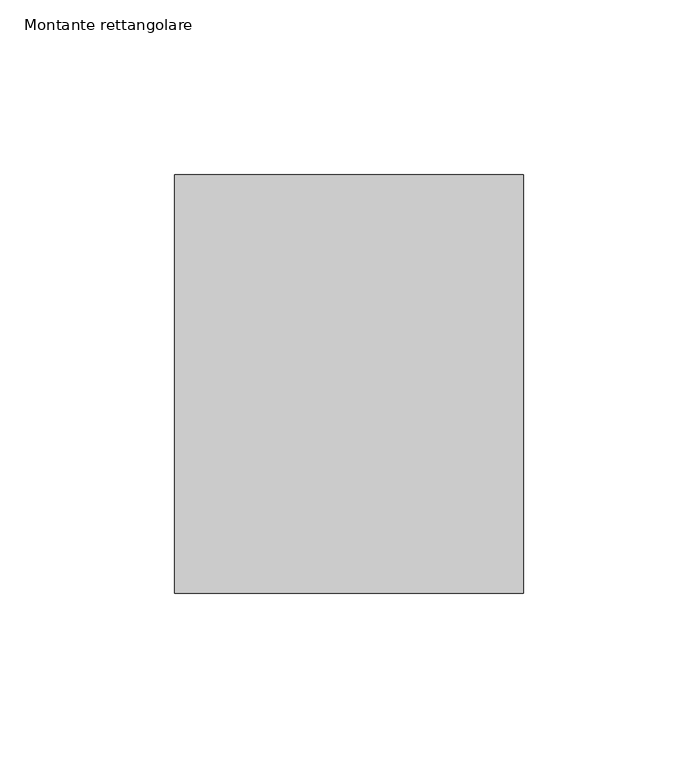
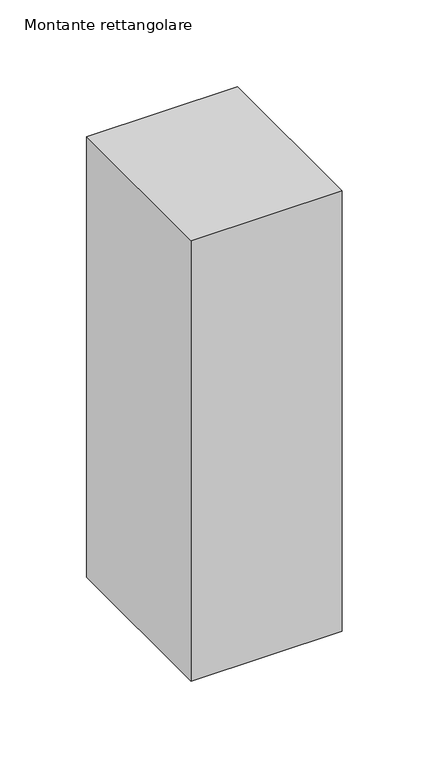
"""IFC4 building model written with IfcOpenShell, lengths in millimetres: member geometry, Montante rettangolare."""

from ifc_helpers import new_model, si_unit, frame, origin, place, context, project, spatial, polyline, outline, extrude, source, transform, mapped, element, save


def montante_rettangolare_6e913756(model_context):
    return source(origin(), model_context, "Body", "SweptSolid", [
        extrude(outline(polyline([(50.0, 60.0), (50.0, -60.0), (-50.0, -60.0), (-50.0, 60.0), (50.0, 60.0)])), frame((0.0, 0.0, -309.0170624), z_axis=(0.0, 0.0, 1.0), x_axis=(1.0, 0.0, 0.0)), (0.0, 0.0, 1.0), 309.0170624),
    ])


if __name__ == "__main__":
    model = new_model("IFC4")
    model_context = context("Model", 3, world=origin())
    ifc_project = project(units=[si_unit("LENGTHUNIT", "METRE", prefix="MILLI")], contexts=[model_context])
    site = spatial("IfcSite", under=ifc_project)
    building = spatial("IfcBuilding", under=site)
    placement = place(None, origin())
    montante_rettangolare_shape = montante_rettangolare_6e913756(model_context)
    element("IfcMember", 1, ObjectType="Montante rettangolare", at=placement, inside=building, context=model_context, shape_type="MappedRepresentation", body=[
        mapped(montante_rettangolare_shape, transform((0.0, 0.0, 0.0), x_axis=(1.0, 0.0, 0.0), y_axis=(0.0, 1.0, 0.0), z_axis=(0.0, 0.0, 1.0))),
    ])
    save(model, "model.ifc")
